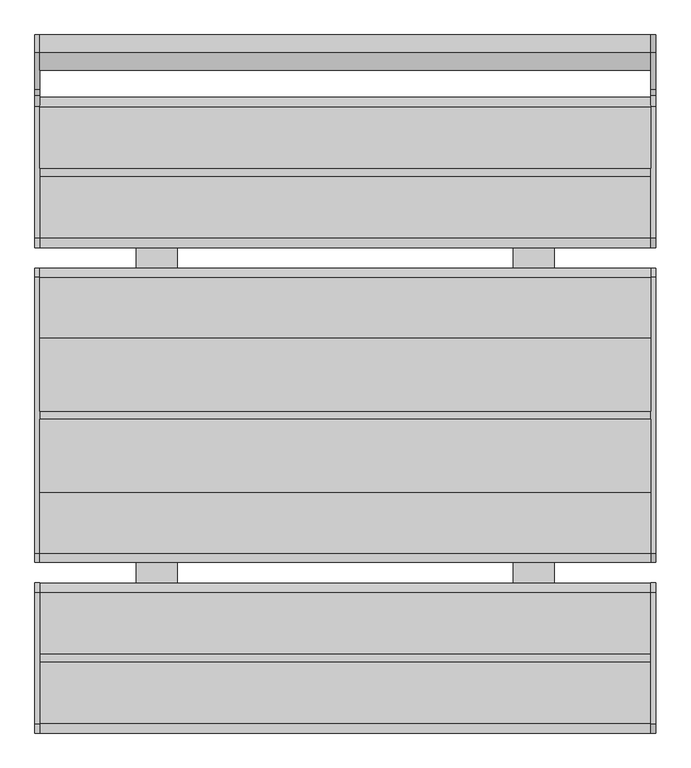
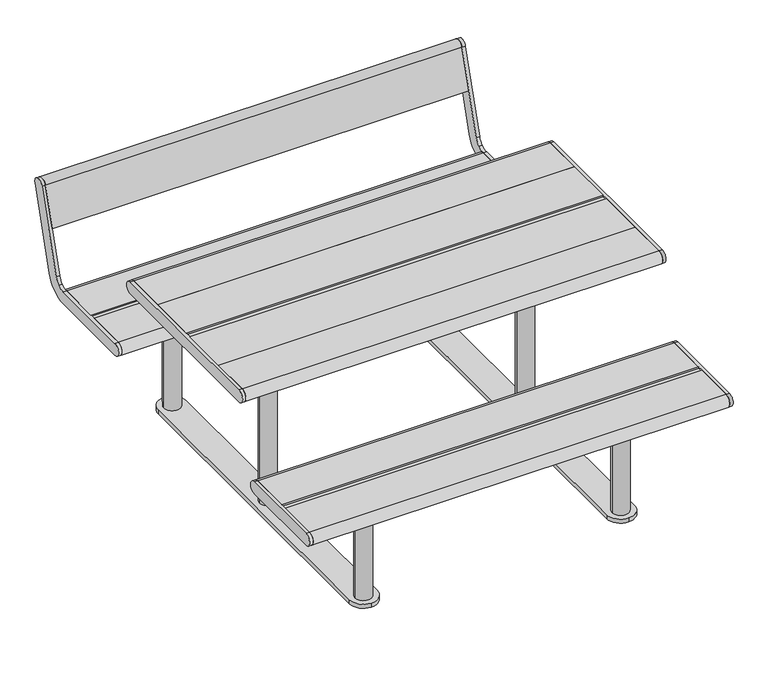
"""IFC4 building model written with IfcOpenShell, lengths in millimetres: furniture geometry."""

import ifcopenshell
import ifcopenshell.guid

model = None  # the IFC model being written
_history = None  # IfcOwnerHistory: only IFC2X3 demands one
_inside = {}  # id of a spatial element -> (the spatial element, [elements in it])
_under = {}  # id of a project, library or spatial element -> (it, [spatial elements below it])
_declared = {}  # id of a project -> (the project, [libraries it declares])
_typed = {}  # id of a type object -> (the type object, [elements of that type])
_made_of = {}  # id of a material, layer set ... -> (it, [elements and type objects made of it])


def new_model(schema):
    """Start an empty IFC model of exactly this schema.

    Asked for "IFC4X3", IfcOpenShell would pick the latest addendum, in which some entities
    have other attributes; the version numbers below select the first issue.
    IFC2X3 requires an IfcOwnerHistory on every rooted entity: one is made here for all.
    """
    global model, _history
    if schema == "IFC4X3":
        model = ifcopenshell.file(schema_version=(4, 3, 0, 0))
    else:
        model = ifcopenshell.file(schema=schema)
    _inside.clear()
    _under.clear()
    _declared.clear()
    _typed.clear()
    _made_of.clear()
    _history = None
    if model.schema == "IFC2X3":
        org = make("IfcOrganization", Name="unknown")
        user = make(
            "IfcPersonAndOrganization",
            ThePerson=make("IfcPerson", FamilyName="unknown"),
            TheOrganization=org,
        )
        app = make(
            "IfcApplication",
            ApplicationDeveloper=org,
            Version="unknown",
            ApplicationFullName="unknown",
            ApplicationIdentifier="unknown",
        )
        _history = make(
            "IfcOwnerHistory",
            OwningUser=user,
            OwningApplication=app,
            ChangeAction="ADDED",
            CreationDate=0,
        )
    return model


def make(cls, **values):
    """One entity of the class cls with the attributes given. An attribute that is None is left unset."""
    return model.create_entity(
        cls, **{name: value for name, value in values.items() if value is not None}
    )


def rooted(cls, **values):
    """An entity with a GlobalId (a new one), such as an element, a storey or a relation."""
    return make(cls, GlobalId=ifcopenshell.guid.new(), OwnerHistory=_history, **values)


def si_unit(unit_type, name, prefix=None):
    """IfcSIUnit, for example si_unit("LENGTHUNIT", "METRE", prefix="MILLI")."""
    return make("IfcSIUnit", UnitType=unit_type, Prefix=prefix, Name=name)


def assignment(units):
    """IfcUnitAssignment: the units of a project."""
    return None if units is None else make("IfcUnitAssignment", Units=units)


def point(xyz):
    """IfcCartesianPoint."""
    return None if xyz is None else make("IfcCartesianPoint", Coordinates=xyz)


def direction(xyz):
    """IfcDirection."""
    return None if xyz is None else make("IfcDirection", DirectionRatios=xyz)


def frame(location, z_axis=None, x_axis=None):
    """IfcAxis2Placement3D, a coordinate frame: its origin and axes. An axis left out is left unset."""
    return make(
        "IfcAxis2Placement3D",
        Location=point(location),
        Axis=direction(z_axis),
        RefDirection=direction(x_axis),
    )


def frame_2d(location, x_axis=None):
    """IfcAxis2Placement2D, a coordinate frame in the plane: its origin and x axis."""
    return make(
        "IfcAxis2Placement2D", Location=point(location), RefDirection=direction(x_axis)
    )


def origin():
    """The frame at (0, 0, 0) with its axes left unset."""
    return frame((0.0, 0.0, 0.0))


def origin_with_axes():
    """The frame at (0, 0, 0) with the z axis (0, 0, 1) and the x axis (1, 0, 0) written out."""
    return frame((0.0, 0.0, 0.0), z_axis=(0.0, 0.0, 1.0), x_axis=(1.0, 0.0, 0.0))


def place(relative_to, where):
    """IfcLocalPlacement: puts the frame where relative to a parent placement (None: the world)."""
    return make(
        "IfcLocalPlacement", PlacementRelTo=relative_to, RelativePlacement=where
    )


def context(
    kind, dimensions, precision=None, world=None, true_north=None, identifier=None
):
    """IfcGeometricRepresentationContext, for example the 3D "Model" context."""
    return make(
        "IfcGeometricRepresentationContext",
        ContextIdentifier=identifier,
        ContextType=kind,
        CoordinateSpaceDimension=dimensions,
        Precision=precision,
        WorldCoordinateSystem=world,
        TrueNorth=true_north,
    )


def project(units=None, contexts=None):
    """IfcProject with its units and contexts."""
    return rooted(
        "IfcProject",
        Name="project",
        RepresentationContexts=contexts,
        UnitsInContext=assignment(units),
    )


def spatial(cls, under=None, at=None, **own):
    """A site, building, storey or space (cls), placed at a placement, below another one or the project."""
    s = rooted(cls, ObjectPlacement=at, **own)
    if under is not None:
        _under.setdefault(under.id(), (under, []))[1].append(s)
    return s


def polyline(points):
    """IfcPolyline through the points."""
    return make("IfcPolyline", Points=[point(p) for p in points])


def circle_curve(where, radius):
    """IfcCircle in the frame where."""
    return make("IfcCircle", Position=where, Radius=radius)


def trimmed(basis, trim1, trim2, sense, master):
    """IfcTrimmedCurve: the piece of a basis curve between two trims."""
    return make(
        "IfcTrimmedCurve",
        BasisCurve=basis,
        Trim1=trim1,
        Trim2=trim2,
        SenseAgreement=sense,
        MasterRepresentation=master,
    )


def segment(curve, same_sense, transition):
    """IfcCompositeCurveSegment."""
    return make(
        "IfcCompositeCurveSegment",
        Transition=transition,
        SameSense=same_sense,
        ParentCurve=curve,
    )


def composite_curve(segments, self_intersect=None):
    """IfcCompositeCurve: segments joined end to end."""
    return make("IfcCompositeCurve", Segments=segments, SelfIntersect=self_intersect)


def outline(outer, holes=None, kind="AREA"):
    """IfcArbitraryClosedProfileDef: a profile drawn as a closed curve; with holes, ...WithVoids."""
    if holes is None:
        return make("IfcArbitraryClosedProfileDef", ProfileType=kind, OuterCurve=outer)
    return make(
        "IfcArbitraryProfileDefWithVoids",
        ProfileType=kind,
        OuterCurve=outer,
        InnerCurves=holes,
    )


def extrude(swept, where, along, depth):
    """IfcExtrudedAreaSolid: the profile swept, set in the frame where, extruded along a direction by depth."""
    return make(
        "IfcExtrudedAreaSolid",
        SweptArea=swept,
        Position=where,
        ExtrudedDirection=direction(along),
        Depth=depth,
    )


def shape(context_of_items, identifier, shape_type, items):
    """IfcShapeRepresentation: the items that make up one representation, for example the "Body"."""
    return make(
        "IfcShapeRepresentation",
        ContextOfItems=context_of_items,
        RepresentationIdentifier=identifier,
        RepresentationType=shape_type,
        Items=items,
    )


def source(mapping_origin, context_of_items, identifier, shape_type, items):
    """IfcRepresentationMap: a shape defined once, which mapped items show again and again."""
    return make(
        "IfcRepresentationMap",
        MappingOrigin=mapping_origin,
        MappedRepresentation=shape(context_of_items, identifier, shape_type, items),
    )


def transform(
    local_origin,
    x_axis=None,
    y_axis=None,
    z_axis=None,
    scale=None,
    scale2=None,
    scale3=None,
    uniform=True,
):
    """IfcCartesianTransformationOperator3D, or its non-uniform kind. x_axis, y_axis, z_axis: its Axis1, 2, 3."""
    if uniform:
        return make(
            "IfcCartesianTransformationOperator3D",
            Axis1=direction(x_axis),
            Axis2=direction(y_axis),
            LocalOrigin=point(local_origin),
            Scale=scale,
            Axis3=direction(z_axis),
        )
    return make(
        "IfcCartesianTransformationOperator3DnonUniform",
        Axis1=direction(x_axis),
        Axis2=direction(y_axis),
        LocalOrigin=point(local_origin),
        Scale=scale,
        Axis3=direction(z_axis),
        Scale2=scale2,
        Scale3=scale3,
    )


def mapped(mapping_source, mapping_target):
    """IfcMappedItem: shows the shape of a source again, moved by a transform."""
    return make(
        "IfcMappedItem", MappingSource=mapping_source, MappingTarget=mapping_target
    )


def made_of(thing, what):
    """Note that an element or type object is made of a material, layer set ...; save() writes the relation."""
    if what is not None:
        _made_of.setdefault(what.id(), (what, []))[1].append(thing)
    return thing


def element(
    cls,
    number,
    at=None,
    inside=None,
    cuts=None,
    type_object=None,
    material=None,
    context=None,
    identifier="Body",
    shape_type=None,
    held_by="IfcProductDefinitionShape",
    body=None,
    shapes=None,
    **own,
):
    """One element of the class cls, such as IfcWall. Its Tag is "e" and its number.

    at: its placement. inside: the storey or other place that contains it. cuts: it is an
    opening in that element (IfcRelVoidsElement). A single representation is given by context,
    identifier, shape_type and body (its items); several are given by shapes. held_by: the class
    of the entity that holds the representations. save() writes the other relations.
    """
    e = rooted(cls, Tag="e%d" % number, ObjectPlacement=at, **own)
    if body is not None:
        shapes = [shape(context, identifier, shape_type, body)]
    if shapes is not None:
        e.Representation = make(held_by, Representations=shapes)
    if inside is not None:
        _inside.setdefault(inside.id(), (inside, []))[1].append(e)
    if cuts is not None:
        rooted(
            "IfcRelVoidsElement", RelatingBuildingElement=cuts, RelatedOpeningElement=e
        )
    if type_object is not None:
        _typed.setdefault(type_object.id(), (type_object, []))[1].append(e)
    return made_of(e, material)


def aggregate(whole, parts):
    """IfcRelAggregates: a whole, such as a stair, and the parts it consists of."""
    return rooted("IfcRelAggregates", RelatingObject=whole, RelatedObjects=parts)


def save(model, path):
    """Write the relations noted so far, then the file.

    IfcRelAggregates (storeys below a building ...), IfcRelContainedInSpatialStructure (elements
    in a storey), IfcRelDefinesByType, IfcRelAssociatesMaterial and IfcRelDeclares: one each for
    every whole, place, type object, material and project.
    """
    for whole, parts in _under.values():
        aggregate(whole, parts)
    for where, things in _inside.values():
        rooted(
            "IfcRelContainedInSpatialStructure",
            RelatedElements=things,
            RelatingStructure=where,
        )
    for kind, things in _typed.values():
        rooted("IfcRelDefinesByType", RelatedObjects=things, RelatingType=kind)
    for what, things in _made_of.values():
        rooted("IfcRelAssociatesMaterial", RelatedObjects=things, RelatingMaterial=what)
    for by, libraries in _declared.values():
        rooted("IfcRelDeclares", RelatingContext=by, RelatedDefinitions=libraries)
    model.write(path)


def furniture_3b16816a(model_context):
    return source(origin(), model_context, "Body", "SweptSolid", [
        extrude(outline(composite_curve([segment(trimmed(circle_curve(frame_2d((-431.5000002, 427.2000002)), 22.5000002), [point((-431.5037545, 449.7000001))], [point((-431.5000002, 404.7))], False, "CARTESIAN"), True, "CONTINUOUS"), segment(polyline([(-431.5000002, 404.7), (-752.4538315, 404.7)]), True, "CONTINUOUS"), segment(trimmed(circle_curve(frame_2d((-752.4538315, 427.2000002)), 22.5000002), [point((-752.4538315, 404.7))], [point((-752.4500772, 449.7000001))], False, "CARTESIAN"), True, "CONTINUOUS"), segment(polyline([(-752.4500772, 449.7000001), (-431.5037545, 449.7000001)]), True, "CONTINUOUS")], self_intersect=False)), frame((-757.0, 0.0, 0.0), z_axis=(1.0, 0.0, 0.0), x_axis=(0.0, 1.0, 0.0)), (0.0, 0.0, 1.0), 12.0),
        extrude(outline(composite_curve([segment(polyline([(602.0, 449.7), (752.4998424, 449.7)]), True, "CONTINUOUS"), segment(trimmed(circle_curve(frame_2d((752.4998424, 427.2)), 22.5), [point((752.4998424, 449.7))], [point((752.4998424, 404.7))], False, "CARTESIAN"), True, "CONTINUOUS"), segment(polyline([(752.4998424, 404.7), (602.0, 404.7), (602.0, 449.7)]), True, "CONTINUOUS")], self_intersect=False)), frame((-745.0, 0.0, 0.0), z_axis=(1.0, 0.0, 0.0), x_axis=(0.0, 1.0, 0.0)), (0.0, 0.0, 1.0), 1490.0),
        extrude(outline(composite_curve([segment(polyline([(795.4837914, 481.5432734), (883.593709, 769.7378243)]), True, "CONTINUOUS"), segment(trimmed(circle_curve(frame_2d((905.1105656, 763.159461)), 22.4999996), [point((883.593709, 769.7378243))], [point((926.6274222, 756.5810977))], False, "CARTESIAN"), True, "CONTINUOUS"), segment(polyline([(926.6274222, 756.5810977), (838.5175055, 468.3865468)]), True, "CONTINUOUS"), segment(trimmed(circle_curve(frame_2d((752.4500772, 494.7000004)), 90.0000004), [point((838.5175055, 468.3865468))], [point((805.5692669, 422.0477344))], False, "CARTESIAN"), True, "CONTINUOUS"), segment(trimmed(circle_curve(frame_2d((752.4500772, 494.7000004)), 90.0000004), [point((805.5692669, 422.0477344))], [point((752.4500772, 404.7))], False, "CARTESIAN"), True, "CONTINUOUS"), segment(polyline([(752.4500772, 404.7), (431.5000002, 404.7)]), True, "CONTINUOUS"), segment(trimmed(circle_curve(frame_2d((431.5000002, 427.2000002)), 22.5000002), [point((431.5000002, 404.7))], [point((431.5037545, 449.7000001))], False, "CARTESIAN"), True, "CONTINUOUS"), segment(polyline([(431.5037545, 449.7000001), (752.4500772, 449.7000001)]), True, "CONTINUOUS"), segment(trimmed(circle_curve(frame_2d((752.4500772, 494.7000004)), 45.0000003), [point((752.4500772, 449.7000001))], [point((779.0096721, 458.3738673))], True, "CARTESIAN"), True, "CONTINUOUS"), segment(trimmed(circle_curve(frame_2d((752.4500772, 494.7000004)), 45.0000003), [point((779.0096721, 458.3738673))], [point((795.4837914, 481.5432734))], True, "CARTESIAN"), True, "CONTINUOUS")], self_intersect=False)), frame((745.0, 0.0, 0.0), z_axis=(1.0, 0.0, 0.0), x_axis=(0.0, 1.0, 0.0)), (0.0, 0.0, 1.0), 12.0),
        extrude(outline(composite_curve([segment(polyline([(884.0857959, 617.4337085), (841.052082, 630.5904353), (883.5974263, 769.7499847)]), True, "CONTINUOUS"), segment(trimmed(circle_curve(frame_2d((905.1142833, 763.1716212)), 22.5), [point((883.5974263, 769.7499847))], [point((926.6311403, 756.5932578))], False, "CARTESIAN"), True, "CONTINUOUS"), segment(polyline([(926.6311403, 756.5932578), (884.0857959, 617.4337085)]), True, "CONTINUOUS")], self_intersect=False)), frame((-745.0, 0.0, 0.0), z_axis=(1.0, 0.0, 0.0), x_axis=(0.0, 1.0, 0.0)), (0.0, 0.0, 1.0), 1490.0),
        extrude(outline(composite_curve([segment(polyline([(795.4837914, 481.5432734), (883.593709, 769.7378243)]), True, "CONTINUOUS"), segment(trimmed(circle_curve(frame_2d((905.1105656, 763.159461)), 22.4999996), [point((883.593709, 769.7378243))], [point((926.6274222, 756.5810977))], False, "CARTESIAN"), True, "CONTINUOUS"), segment(polyline([(926.6274222, 756.5810977), (838.5175055, 468.3865468)]), True, "CONTINUOUS"), segment(trimmed(circle_curve(frame_2d((752.4500772, 494.7000004)), 90.0000004), [point((838.5175055, 468.3865468))], [point((805.5692669, 422.0477344))], False, "CARTESIAN"), True, "CONTINUOUS"), segment(trimmed(circle_curve(frame_2d((752.4500772, 494.7000004)), 90.0000004), [point((805.5692669, 422.0477344))], [point((752.4500772, 404.7))], False, "CARTESIAN"), True, "CONTINUOUS"), segment(polyline([(752.4500772, 404.7), (431.5000002, 404.7)]), True, "CONTINUOUS"), segment(trimmed(circle_curve(frame_2d((431.5000002, 427.2000002)), 22.5000002), [point((431.5000002, 404.7))], [point((431.5037545, 449.7000001))], False, "CARTESIAN"), True, "CONTINUOUS"), segment(polyline([(431.5037545, 449.7000001), (752.4500772, 449.7000001)]), True, "CONTINUOUS"), segment(trimmed(circle_curve(frame_2d((752.4500772, 494.7000004)), 45.0000003), [point((752.4500772, 449.7000001))], [point((779.0096721, 458.3738673))], True, "CARTESIAN"), True, "CONTINUOUS"), segment(trimmed(circle_curve(frame_2d((752.4500772, 494.7000004)), 45.0000003), [point((779.0096721, 458.3738673))], [point((795.4837914, 481.5432734))], True, "CARTESIAN"), True, "CONTINUOUS")], self_intersect=False)), frame((-757.0, 0.0, 0.0), z_axis=(1.0, 0.0, 0.0), x_axis=(0.0, 1.0, 0.0)), (0.0, 0.0, 1.0), 12.0),
        extrude(outline(composite_curve([segment(trimmed(circle_curve(frame_2d((-431.5000002, 427.2000002)), 22.5000002), [point((-431.5037545, 449.7000001))], [point((-431.5000002, 404.7))], False, "CARTESIAN"), True, "CONTINUOUS"), segment(polyline([(-431.5000002, 404.7), (-752.4538315, 404.7)]), True, "CONTINUOUS"), segment(trimmed(circle_curve(frame_2d((-752.4538315, 427.2000002)), 22.5000002), [point((-752.4538315, 404.7))], [point((-752.4500772, 449.7000001))], False, "CARTESIAN"), True, "CONTINUOUS"), segment(polyline([(-752.4500772, 449.7000001), (-431.5037545, 449.7000001)]), True, "CONTINUOUS")], self_intersect=False)), frame((745.0, 0.0, 0.0), z_axis=(1.0, 0.0, 0.0), x_axis=(0.0, 1.0, 0.0)), (0.0, 0.0, 1.0), 12.0),
        extrude(outline(composite_curve([segment(polyline([(-582.0, 449.7), (-431.5001576, 449.7)]), True, "CONTINUOUS"), segment(trimmed(circle_curve(frame_2d((-431.5001576, 427.2)), 22.5), [point((-431.5001576, 449.7))], [point((-431.5001576, 404.7))], False, "CARTESIAN"), True, "CONTINUOUS"), segment(polyline([(-431.5001576, 404.7), (-582.0, 404.7), (-582.0, 449.7)]), True, "CONTINUOUS")], self_intersect=False)), frame((-745.0, 0.0, 0.0), z_axis=(1.0, 0.0, 0.0), x_axis=(0.0, 1.0, 0.0)), (0.0, 0.0, 1.0), 1490.0),
        extrude(outline(composite_curve([segment(polyline([(-602.0, 449.7), (-602.0, 404.7), (-752.4998424, 404.7)]), True, "CONTINUOUS"), segment(trimmed(circle_curve(frame_2d((-752.4998424, 427.2)), 22.5), [point((-752.4998424, 404.7))], [point((-752.4998424, 449.7))], False, "CARTESIAN"), True, "CONTINUOUS"), segment(polyline([(-752.4998424, 449.7), (-602.0, 449.7)]), True, "CONTINUOUS")], self_intersect=False)), frame((-745.0, 0.0, 0.0), z_axis=(1.0, 0.0, 0.0), x_axis=(0.0, 1.0, 0.0)), (0.0, 0.0, 1.0), 1490.0),
        extrude(outline(polyline([(745.0, -582.0), (745.0, -602.0), (-745.0, -602.0), (-745.0, -582.0), (745.0, -582.0)])), frame((0.0, 0.0, 404.7), z_axis=(0.0, 0.0, 1.0), x_axis=(1.0, 0.0, 0.0)), (0.0, 0.0, 1.0), 40.0),
        extrude(outline(composite_curve([segment(polyline([(582.0, 449.7), (582.0, 404.7), (431.5001576, 404.7)]), True, "CONTINUOUS"), segment(trimmed(circle_curve(frame_2d((431.5001576, 427.2)), 22.5), [point((431.5001576, 404.7))], [point((431.5001576, 449.7))], False, "CARTESIAN"), True, "CONTINUOUS"), segment(polyline([(431.5001576, 449.7), (582.0, 449.7)]), True, "CONTINUOUS")], self_intersect=False)), frame((-745.0, 0.0, 0.0), z_axis=(1.0, 0.0, 0.0), x_axis=(0.0, 1.0, 0.0)), (0.0, 0.0, 1.0), 1490.0),
        extrude(outline(polyline([(745.0, 602.0), (745.0, 582.0), (-745.0, 582.0), (-745.0, 602.0), (745.0, 602.0)])), frame((0.0, 0.0, 404.7), z_axis=(0.0, 0.0, 1.0), x_axis=(1.0, 0.0, 0.0)), (0.0, 0.0, 1.0), 40.0),
        extrude(outline(polyline([(745.0, -10.0), (745.0, -187.75), (-745.0, -187.75), (-745.0, -10.0), (745.0, -10.0)])), frame((0.0, 0.0, 694.7), z_axis=(0.0, 0.0, 1.0), x_axis=(1.0, 0.0, 0.0)), (0.0, 0.0, 1.0), 45.0),
        extrude(outline(polyline([(745.0, 187.75), (745.0, 10.0), (-745.0, 10.0), (-745.0, 187.75), (745.0, 187.75)])), frame((0.0, 0.0, 694.7), z_axis=(0.0, 0.0, 1.0), x_axis=(1.0, 0.0, 0.0)), (0.0, 0.0, 1.0), 45.0),
        extrude(outline(composite_curve([segment(polyline([(187.75, 739.7), (336.4998635, 739.7)]), True, "CONTINUOUS"), segment(trimmed(circle_curve(frame_2d((336.4998635, 717.2)), 22.5), [point((336.4998635, 739.7))], [point((336.4998635, 694.7))], False, "CARTESIAN"), True, "CONTINUOUS"), segment(polyline([(336.4998635, 694.7), (187.75, 694.7), (187.75, 739.7)]), True, "CONTINUOUS")], self_intersect=False)), frame((-745.0, 0.0, 0.0), z_axis=(1.0, 0.0, 0.0), x_axis=(0.0, 1.0, 0.0)), (0.0, 0.0, 1.0), 1490.0),
        extrude(outline(composite_curve([segment(polyline([(-187.75, 739.7), (-187.75, 694.7), (-336.4998635, 694.7)]), True, "CONTINUOUS"), segment(trimmed(circle_curve(frame_2d((-336.4998635, 717.2)), 22.5), [point((-336.4998635, 694.7))], [point((-336.4998635, 739.7))], False, "CARTESIAN"), True, "CONTINUOUS"), segment(polyline([(-336.4998635, 739.7), (-187.75, 739.7)]), True, "CONTINUOUS")], self_intersect=False)), frame((-745.0, 0.0, 0.0), z_axis=(1.0, 0.0, 0.0), x_axis=(0.0, 1.0, 0.0)), (0.0, 0.0, 1.0), 1490.0),
        extrude(outline(polyline([(745.0, 10.0), (745.0, -10.0), (-745.0, -10.0), (-745.0, 10.0), (745.0, 10.0)])), frame((0.0, 0.0, 694.7), z_axis=(0.0, 0.0, 1.0), x_axis=(1.0, 0.0, 0.0)), (0.0, 0.0, 1.0), 40.0),
        extrude(outline(composite_curve([segment(trimmed(circle_curve(frame_2d((336.5, 717.2)), 22.5), [point((336.5, 739.7))], [point((336.5, 694.7))], False, "CARTESIAN"), True, "CONTINUOUS"), segment(polyline([(336.5, 694.7), (-336.5, 694.7)]), True, "CONTINUOUS"), segment(trimmed(circle_curve(frame_2d((-336.5, 717.2)), 22.5), [point((-336.5, 694.7))], [point((-336.5, 739.7))], False, "CARTESIAN"), True, "CONTINUOUS"), segment(polyline([(-336.5, 739.7), (336.5, 739.7)]), True, "CONTINUOUS")], self_intersect=False)), frame((745.0, 0.0, 0.0), z_axis=(1.0, 0.0, 0.0), x_axis=(0.0, 1.0, 0.0)), (0.0, 0.0, 1.0), 12.0),
        extrude(outline(composite_curve([segment(trimmed(circle_curve(frame_2d((336.5, 717.2)), 22.5), [point((336.5, 739.7))], [point((336.5, 694.7))], False, "CARTESIAN"), True, "CONTINUOUS"), segment(polyline([(336.5, 694.7), (-336.5, 694.7)]), True, "CONTINUOUS"), segment(trimmed(circle_curve(frame_2d((-336.5, 717.2)), 22.5), [point((-336.5, 694.7))], [point((-336.5, 739.7))], False, "CARTESIAN"), True, "CONTINUOUS"), segment(polyline([(-336.5, 739.7), (336.5, 739.7)]), True, "CONTINUOUS")], self_intersect=False)), frame((-757.0, 0.0, 0.0), z_axis=(1.0, 0.0, 0.0), x_axis=(0.0, 1.0, 0.0)), (0.0, 0.0, 1.0), 12.0),
        extrude(outline(composite_curve([segment(trimmed(circle_curve(frame_2d((505.0, 120.0)), 5.0), [point((505.0, 125.0))], [point((510.0, 120.0))], False, "CARTESIAN"), True, "CONTINUOUS"), segment(polyline([(510.0, 120.0), (510.0, -120.0)]), True, "CONTINUOUS"), segment(trimmed(circle_curve(frame_2d((505.0, -120.0)), 5.0), [point((510.0, -120.0))], [point((505.0, -125.0))], False, "CARTESIAN"), True, "CONTINUOUS"), segment(polyline([(505.0, -125.0), (415.0, -125.0)]), True, "CONTINUOUS"), segment(trimmed(circle_curve(frame_2d((415.0, -120.0)), 5.0), [point((415.0, -125.0))], [point((410.0, -120.0))], False, "CARTESIAN"), True, "CONTINUOUS"), segment(polyline([(410.0, -120.0), (410.0, 120.0)]), True, "CONTINUOUS"), segment(trimmed(circle_curve(frame_2d((415.0, 120.0)), 5.0), [point((410.0, 120.0))], [point((415.0, 125.0))], False, "CARTESIAN"), True, "CONTINUOUS"), segment(polyline([(415.0, 125.0), (505.0, 125.0)]), True, "CONTINUOUS")], self_intersect=False)), frame((0.0, 0.0, 679.0), z_axis=(0.0, 0.0, 1.0), x_axis=(1.0, 0.0, 0.0)), (0.0, 0.0, 1.0), 7.85),
        extrude(outline(composite_curve([segment(trimmed(circle_curve(frame_2d((505.0, 295.0)), 5.0), [point((505.0, 300.0))], [point((510.0, 295.0))], False, "CARTESIAN"), True, "CONTINUOUS"), segment(polyline([(510.0, 295.0), (510.0, -295.0)]), True, "CONTINUOUS"), segment(trimmed(circle_curve(frame_2d((505.0, -295.0)), 5.0), [point((510.0, -295.0))], [point((505.0, -300.0))], False, "CARTESIAN"), True, "CONTINUOUS"), segment(polyline([(505.0, -300.0), (415.0, -300.0)]), True, "CONTINUOUS"), segment(trimmed(circle_curve(frame_2d((415.0, -295.0)), 5.0), [point((415.0, -300.0))], [point((410.0, -295.0))], False, "CARTESIAN"), True, "CONTINUOUS"), segment(polyline([(410.0, -295.0), (410.0, 295.0)]), True, "CONTINUOUS"), segment(trimmed(circle_curve(frame_2d((415.0, 295.0)), 5.0), [point((410.0, 295.0))], [point((415.0, 300.0))], False, "CARTESIAN"), True, "CONTINUOUS"), segment(polyline([(415.0, 300.0), (505.0, 300.0)]), True, "CONTINUOUS")], self_intersect=False)), frame((0.0, 0.0, 686.85), z_axis=(0.0, 0.0, 1.0), x_axis=(1.0, 0.0, 0.0)), (0.0, 0.0, 1.0), 7.85),
        extrude(outline(composite_curve([segment(polyline([(-505.0, 125.0), (-415.0, 125.0)]), True, "CONTINUOUS"), segment(trimmed(circle_curve(frame_2d((-415.0, 120.0)), 5.0), [point((-415.0, 125.0))], [point((-410.0, 120.0))], False, "CARTESIAN"), True, "CONTINUOUS"), segment(polyline([(-410.0, 120.0), (-410.0, -120.0)]), True, "CONTINUOUS"), segment(trimmed(circle_curve(frame_2d((-415.0, -120.0)), 5.0), [point((-410.0, -120.0))], [point((-415.0, -125.0))], False, "CARTESIAN"), True, "CONTINUOUS"), segment(polyline([(-415.0, -125.0), (-505.0, -125.0)]), True, "CONTINUOUS"), segment(trimmed(circle_curve(frame_2d((-505.0, -120.0)), 5.0), [point((-505.0, -125.0))], [point((-510.0, -120.0))], False, "CARTESIAN"), True, "CONTINUOUS"), segment(polyline([(-510.0, -120.0), (-510.0, 120.0)]), True, "CONTINUOUS"), segment(trimmed(circle_curve(frame_2d((-505.0, 120.0)), 5.0), [point((-510.0, 120.0))], [point((-505.0, 125.0))], False, "CARTESIAN"), True, "CONTINUOUS")], self_intersect=False)), frame((0.0, 0.0, 679.0), z_axis=(0.0, 0.0, 1.0), x_axis=(1.0, 0.0, 0.0)), (0.0, 0.0, 1.0), 7.85),
        extrude(outline(composite_curve([segment(polyline([(-505.0, 300.0), (-415.0, 300.0)]), True, "CONTINUOUS"), segment(trimmed(circle_curve(frame_2d((-415.0, 295.0)), 5.0), [point((-415.0, 300.0))], [point((-410.0, 295.0))], False, "CARTESIAN"), True, "CONTINUOUS"), segment(polyline([(-410.0, 295.0), (-410.0, -295.0)]), True, "CONTINUOUS"), segment(trimmed(circle_curve(frame_2d((-415.0, -295.0)), 5.0), [point((-410.0, -295.0))], [point((-415.0, -300.0))], False, "CARTESIAN"), True, "CONTINUOUS"), segment(polyline([(-415.0, -300.0), (-505.0, -300.0)]), True, "CONTINUOUS"), segment(trimmed(circle_curve(frame_2d((-505.0, -295.0)), 5.0), [point((-505.0, -300.0))], [point((-510.0, -295.0))], False, "CARTESIAN"), True, "CONTINUOUS"), segment(polyline([(-510.0, -295.0), (-510.0, 295.0)]), True, "CONTINUOUS"), segment(trimmed(circle_curve(frame_2d((-505.0, 295.0)), 5.0), [point((-510.0, 295.0))], [point((-505.0, 300.0))], False, "CARTESIAN"), True, "CONTINUOUS")], self_intersect=False)), frame((0.0, 0.0, 686.85), z_axis=(0.0, 0.0, 1.0), x_axis=(1.0, 0.0, 0.0)), (0.0, 0.0, 1.0), 7.85),
        extrude(outline(composite_curve([segment(polyline([(505.0, -717.0), (415.0, -717.0)]), True, "CONTINUOUS"), segment(trimmed(circle_curve(frame_2d((415.0, -712.0)), 5.0), [point((415.0, -717.0))], [point((410.0, -712.0))], False, "CARTESIAN"), True, "CONTINUOUS"), segment(polyline([(410.0, -712.0), (410.0, -472.0)]), True, "CONTINUOUS"), segment(trimmed(circle_curve(frame_2d((415.0, -472.0)), 5.0), [point((410.0, -472.0))], [point((415.0, -467.0))], False, "CARTESIAN"), True, "CONTINUOUS"), segment(polyline([(415.0, -467.0), (505.0, -467.0)]), True, "CONTINUOUS"), segment(trimmed(circle_curve(frame_2d((505.0, -472.0)), 5.0), [point((505.0, -467.0))], [point((510.0, -472.0))], False, "CARTESIAN"), True, "CONTINUOUS"), segment(polyline([(510.0, -472.0), (510.0, -712.0)]), True, "CONTINUOUS"), segment(trimmed(circle_curve(frame_2d((505.0, -712.0)), 5.0), [point((510.0, -712.0))], [point((505.0, -717.0))], False, "CARTESIAN"), True, "CONTINUOUS")], self_intersect=False)), frame((0.0, 0.0, 389.0), z_axis=(0.0, 0.0, 1.0), x_axis=(1.0, 0.0, 0.0)), (0.0, 0.0, 1.0), 15.7),
        extrude(outline(composite_curve([segment(trimmed(circle_curve(frame_2d((505.0, 712.0)), 5.0), [point((505.0, 717.0))], [point((510.0, 712.0))], False, "CARTESIAN"), True, "CONTINUOUS"), segment(polyline([(510.0, 712.0), (510.0, 472.0)]), True, "CONTINUOUS"), segment(trimmed(circle_curve(frame_2d((505.0, 472.0)), 5.0), [point((510.0, 472.0))], [point((505.0, 467.0))], False, "CARTESIAN"), True, "CONTINUOUS"), segment(polyline([(505.0, 467.0), (415.0, 467.0)]), True, "CONTINUOUS"), segment(trimmed(circle_curve(frame_2d((415.0, 472.0)), 5.0), [point((415.0, 467.0))], [point((410.0, 472.0))], False, "CARTESIAN"), True, "CONTINUOUS"), segment(polyline([(410.0, 472.0), (410.0, 712.0)]), True, "CONTINUOUS"), segment(trimmed(circle_curve(frame_2d((415.0, 712.0)), 5.0), [point((410.0, 712.0))], [point((415.0, 717.0))], False, "CARTESIAN"), True, "CONTINUOUS"), segment(polyline([(415.0, 717.0), (505.0, 717.0)]), True, "CONTINUOUS")], self_intersect=False)), frame((0.0, 0.0, 389.0), z_axis=(0.0, 0.0, 1.0), x_axis=(1.0, 0.0, 0.0)), (0.0, 0.0, 1.0), 15.7),
        extrude(outline(composite_curve([segment(trimmed(circle_curve(frame_2d((-505.0, -712.0)), 5.0), [point((-505.0, -717.0))], [point((-510.0, -712.0))], False, "CARTESIAN"), True, "CONTINUOUS"), segment(polyline([(-510.0, -712.0), (-510.0, -472.0)]), True, "CONTINUOUS"), segment(trimmed(circle_curve(frame_2d((-505.0, -472.0)), 5.0), [point((-510.0, -472.0))], [point((-505.0, -467.0))], False, "CARTESIAN"), True, "CONTINUOUS"), segment(polyline([(-505.0, -467.0), (-415.0, -467.0)]), True, "CONTINUOUS"), segment(trimmed(circle_curve(frame_2d((-415.0, -472.0)), 5.0), [point((-415.0, -467.0))], [point((-410.0, -472.0))], False, "CARTESIAN"), True, "CONTINUOUS"), segment(polyline([(-410.0, -472.0), (-410.0, -712.0)]), True, "CONTINUOUS"), segment(trimmed(circle_curve(frame_2d((-415.0, -712.0)), 5.0), [point((-410.0, -712.0))], [point((-415.0, -717.0))], False, "CARTESIAN"), True, "CONTINUOUS"), segment(polyline([(-415.0, -717.0), (-505.0, -717.0)]), True, "CONTINUOUS")], self_intersect=False)), frame((0.0, 0.0, 389.0), z_axis=(0.0, 0.0, 1.0), x_axis=(1.0, 0.0, 0.0)), (0.0, 0.0, 1.0), 15.7),
        extrude(outline(composite_curve([segment(polyline([(-505.0, 717.0), (-415.0, 717.0)]), True, "CONTINUOUS"), segment(trimmed(circle_curve(frame_2d((-415.0, 712.0)), 5.0), [point((-415.0, 717.0))], [point((-410.0, 712.0))], False, "CARTESIAN"), True, "CONTINUOUS"), segment(polyline([(-410.0, 712.0), (-410.0, 472.0)]), True, "CONTINUOUS"), segment(trimmed(circle_curve(frame_2d((-415.0, 472.0)), 5.0), [point((-410.0, 472.0))], [point((-415.0, 467.0))], False, "CARTESIAN"), True, "CONTINUOUS"), segment(polyline([(-415.0, 467.0), (-505.0, 467.0)]), True, "CONTINUOUS"), segment(trimmed(circle_curve(frame_2d((-505.0, 472.0)), 5.0), [point((-505.0, 467.0))], [point((-510.0, 472.0))], False, "CARTESIAN"), True, "CONTINUOUS"), segment(polyline([(-510.0, 472.0), (-510.0, 712.0)]), True, "CONTINUOUS"), segment(trimmed(circle_curve(frame_2d((-505.0, 712.0)), 5.0), [point((-510.0, 712.0))], [point((-505.0, 717.0))], False, "CARTESIAN"), True, "CONTINUOUS")], self_intersect=False)), frame((0.0, 0.0, 389.0), z_axis=(0.0, 0.0, 1.0), x_axis=(1.0, 0.0, 0.0)), (0.0, 0.0, 1.0), 15.7),
        extrude(outline(composite_curve([segment(trimmed(circle_curve(frame_2d((460.0, 0.0)), 30.0), [point((490.0, 0.0))], [point((430.0, 0.0))], False, "CARTESIAN"), True, "CONTINUOUS"), segment(trimmed(circle_curve(frame_2d((460.0, 0.0)), 30.0), [point((430.0, 0.0))], [point((490.0, 0.0))], False, "CARTESIAN"), True, "CONTINUOUS")], self_intersect=False)), frame((0.0, 0.0, 15.0), z_axis=(0.0, 0.0, 1.0), x_axis=(1.0, 0.0, 0.0)), (0.0, 0.0, 1.0), 664.0),
        extrude(outline(composite_curve([segment(trimmed(circle_curve(frame_2d((-460.0, 0.0)), 30.0), [point((-490.0, 0.0))], [point((-430.0, 0.0))], False, "CARTESIAN"), True, "CONTINUOUS"), segment(trimmed(circle_curve(frame_2d((-460.0, 0.0)), 30.0), [point((-430.0, 0.0))], [point((-490.0, 0.0))], False, "CARTESIAN"), True, "CONTINUOUS")], self_intersect=False)), frame((0.0, 0.0, 15.0), z_axis=(0.0, 0.0, 1.0), x_axis=(1.0, 0.0, 0.0)), (0.0, 0.0, 1.0), 664.0),
        extrude(outline(composite_curve([segment(trimmed(circle_curve(frame_2d((460.0, -592.0)), 30.0), [point((490.0, -592.0))], [point((430.0, -592.0))], False, "CARTESIAN"), True, "CONTINUOUS"), segment(trimmed(circle_curve(frame_2d((460.0, -592.0)), 30.0), [point((430.0, -592.0))], [point((490.0, -592.0))], False, "CARTESIAN"), True, "CONTINUOUS")], self_intersect=False)), frame((0.0, 0.0, 15.0), z_axis=(0.0, 0.0, 1.0), x_axis=(1.0, 0.0, 0.0)), (0.0, 0.0, 1.0), 374.0),
        extrude(outline(composite_curve([segment(trimmed(circle_curve(frame_2d((460.0, 592.0)), 30.0), [point((490.0, 592.0))], [point((430.0, 592.0))], False, "CARTESIAN"), True, "CONTINUOUS"), segment(trimmed(circle_curve(frame_2d((460.0, 592.0)), 30.0), [point((430.0, 592.0))], [point((490.0, 592.0))], False, "CARTESIAN"), True, "CONTINUOUS")], self_intersect=False)), frame((0.0, 0.0, 15.0), z_axis=(0.0, 0.0, 1.0), x_axis=(1.0, 0.0, 0.0)), (0.0, 0.0, 1.0), 374.0),
        extrude(outline(composite_curve([segment(trimmed(circle_curve(frame_2d((-460.0, -592.0)), 30.0), [point((-490.0, -592.0))], [point((-430.0, -592.0))], False, "CARTESIAN"), True, "CONTINUOUS"), segment(trimmed(circle_curve(frame_2d((-460.0, -592.0)), 30.0), [point((-430.0, -592.0))], [point((-490.0, -592.0))], False, "CARTESIAN"), True, "CONTINUOUS")], self_intersect=False)), frame((0.0, 0.0, 15.0), z_axis=(0.0, 0.0, 1.0), x_axis=(1.0, 0.0, 0.0)), (0.0, 0.0, 1.0), 374.0),
        extrude(outline(composite_curve([segment(trimmed(circle_curve(frame_2d((-460.0, 592.0)), 30.0), [point((-490.0, 592.0))], [point((-430.0, 592.0))], False, "CARTESIAN"), True, "CONTINUOUS"), segment(trimmed(circle_curve(frame_2d((-460.0, 592.0)), 30.0), [point((-430.0, 592.0))], [point((-490.0, 592.0))], False, "CARTESIAN"), True, "CONTINUOUS")], self_intersect=False)), frame((0.0, 0.0, 15.0), z_axis=(0.0, 0.0, 1.0), x_axis=(1.0, 0.0, 0.0)), (0.0, 0.0, 1.0), 374.0),
        extrude(outline(composite_curve([segment(polyline([(-510.0, -592.0), (-510.0, 592.0)]), True, "CONTINUOUS"), segment(trimmed(circle_curve(frame_2d((-460.0, 592.0)), 50.0), [point((-510.0, 592.0))], [point((-410.0, 592.0))], False, "CARTESIAN"), True, "CONTINUOUS"), segment(polyline([(-410.0, 592.0), (-410.0, -592.0)]), True, "CONTINUOUS"), segment(trimmed(circle_curve(frame_2d((-460.0, -592.0)), 50.0), [point((-410.0, -592.0))], [point((-460.0, -642.0))], False, "CARTESIAN"), True, "CONTINUOUS"), segment(trimmed(circle_curve(frame_2d((-460.0, -592.0)), 50.0), [point((-460.0, -642.0))], [point((-510.0, -592.0))], False, "CARTESIAN"), True, "CONTINUOUS")], self_intersect=False)), origin_with_axes(), (0.0, 0.0, 1.0), 15.0),
        extrude(outline(composite_curve([segment(trimmed(circle_curve(frame_2d((460.0, -592.0)), 50.0), [point((510.0, -592.0))], [point((460.0, -642.0))], False, "CARTESIAN"), True, "CONTINUOUS"), segment(trimmed(circle_curve(frame_2d((460.0, -592.0)), 50.0), [point((460.0, -642.0))], [point((410.0, -592.0))], False, "CARTESIAN"), True, "CONTINUOUS"), segment(polyline([(410.0, -592.0), (410.0, 592.0)]), True, "CONTINUOUS"), segment(trimmed(circle_curve(frame_2d((460.0, 592.0)), 50.0), [point((410.0, 592.0))], [point((510.0, 592.0))], False, "CARTESIAN"), True, "CONTINUOUS"), segment(polyline([(510.0, 592.0), (510.0, -592.0)]), True, "CONTINUOUS")], self_intersect=False)), origin_with_axes(), (0.0, 0.0, 1.0), 15.0),
    ])


if __name__ == "__main__":
    model = new_model("IFC4")
    model_context = context("Model", 3, world=origin())
    ifc_project = project(units=[si_unit("LENGTHUNIT", "METRE", prefix="MILLI")], contexts=[model_context])
    site = spatial("IfcSite", under=ifc_project)
    building = spatial("IfcBuilding", under=site)
    placement = place(None, origin())
    furniture_shape = furniture_3b16816a(model_context)
    element("IfcFurniture", 1, at=placement, inside=building, context=model_context, shape_type="MappedRepresentation", body=[
        mapped(furniture_shape, transform((0.0, 0.0, 0.0), x_axis=(1.0, 0.0, 0.0), y_axis=(0.0, 1.0, 0.0), z_axis=(0.0, 0.0, 1.0))),
    ])
    save(model, "model.ifc")
